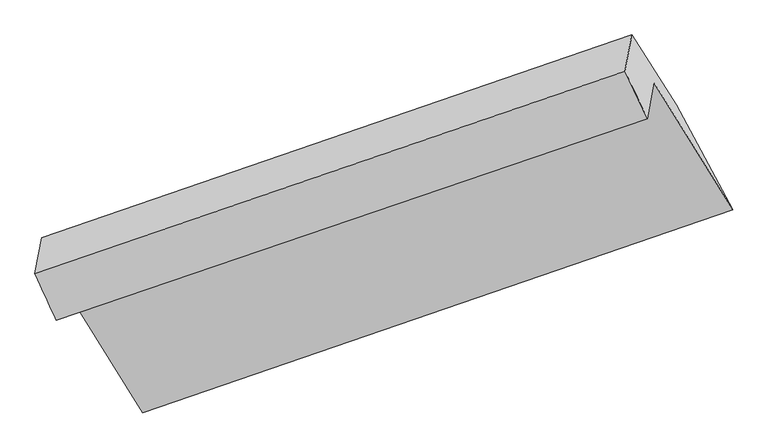
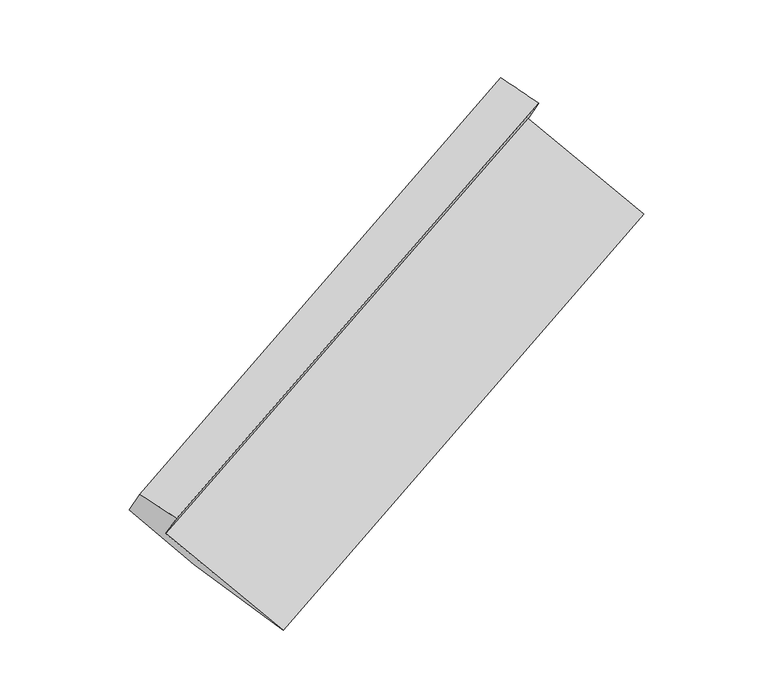
"""IFC4 building model written with IfcOpenShell, lengths in millimetres: proxy geometry."""

from ifc_helpers import new_model, si_unit, frame, origin, place, context, project, spatial, source, transform, mapped, element, save
from ifc_brep_helpers import plane_surface, spline_surface, advanced_brep


def generic_models_9a5ddd20(model_context):
    return source(origin(), model_context, "Body", "AdvancedBrep", [
        advanced_brep(
        [(-4937.4601271, -2278.7802791, 1406.6975139), (-4892.7302086, -2037.3654793, 1102.4990762), (-929.6186298, -688.0881841, 2756.5310107), (-974.3050049, -929.2679734, 3060.4333198), (-5079.995006, -1967.6718704, 1491.3658331), (-1124.3585121, -610.3551431, 3156.615163), (-5035.0612973, -1725.1571807, 1185.7814622), (-1079.4248034, -367.8404534, 2851.0307921), (-4736.619683, -2193.1161488, 858.2881578), (-780.9831891, -835.7994215, 2523.5374877), (-4358.9416528, -2897.8027901, 535.9530428), (-402.7330481, -1537.3982864, 2197.3115725)],
        [
            (0, 1),
            (1, 2),
            (2, 3),
            (3, 0),
            (4, 0),
            (3, 5),
            (5, 4),
            (6, 4),
            (5, 7),
            (7, 6),
            (8, 6),
            (7, 9),
            (9, 8),
            (10, 8),
            (9, 11),
            (11, 10),
            (1, 10),
            (11, 2),
        ],
        [
            plane_surface(frame((-4915.0951678, -2158.0728792, 1254.598295), z_axis=(0.46016988014379223, -0.7271495881416523, -0.5094086354527899), x_axis=(0.11442213681419879, 0.6175552787323882, -0.7781600428681975))),
            spline_surface(1, 1, [[(-5079.995006, -1967.6718704, 1491.3658331), (-1124.3585121, -610.3551431, 3156.615163)], [(-4937.4601271, -2278.7802791, 1406.6975139), (-974.3050049, -929.2679734, 3060.4333198)]], [2, 2], [2, 2], [0.0, 1.0], [0.0, 1.0]),
            plane_surface(frame((-5057.5281517, -1846.4145255, 1338.5736476), z_axis=(-0.46310116669780754, 0.7261465349813734, 0.5081815808721079), x_axis=(-0.11442213681419851, -0.6175552787323878, 0.7781600428681981))),
            plane_surface(frame((-4885.8404902, -1959.1366647, 1022.03481), z_axis=(0.11539830949966753, 0.6178905943509608, -0.7777496021067676), x_axis=(-0.46310116669780627, 0.7261465349813675, 0.5081815808721173))),
            spline_surface(1, 1, [[(-4358.9416528, -2897.8027901, 535.9530428), (-402.7330481, -1537.3982864, 2197.3115725)], [(-4736.619683, -2193.1161488, 858.2881578), (-780.9831891, -835.7994215, 2523.5374877)]], [2, 2], [2, 2], [0.0, 1.0], [0.0, 1.0]),
            plane_surface(frame((-4625.8359307, -2467.5841347, 819.2260595), z_axis=(-0.12613041912363337, -0.5989402377992955, 0.7907981467584634), x_axis=(0.4600502509092774, -0.7415752855244157, -0.4882825642368282))),
            plane_surface(frame((-881.9038646, -828.1249103, 2757.5765576), z_axis=(0.8788884366118402, 0.3022196013568723, 0.369077808254152), x_axis=(-0.46310116669780627, 0.7261465349813675, 0.5081815808721173))),
            plane_surface(frame((-4840.1346625, -2183.3156247, 1096.764181), z_axis=(-0.8788884366118448, -0.3022196013568658, -0.3690778082541464), x_axis=(-0.11442213681419706, -0.6175552787323886, 0.7781600428681975))),
        ],
        [
            (0, [[1, 2, 3, 4]]),
            (1, [[5, -4, 6, 7]]),
            (2, [[8, -7, 9, 10]]),
            (3, [[11, -10, 12, 13]]),
            (4, [[14, -13, 15, 16]]),
            (5, [[17, -16, 18, -2]]),
            (6, [[-12, -9, -6, -3, -18, -15]]),
            (7, [[-1, -5, -8, -11, -14, -17]]),
        ],
    ),
    ])


if __name__ == "__main__":
    model = new_model("IFC4")
    model_context = context("Model", 3, world=origin())
    ifc_project = project(units=[si_unit("LENGTHUNIT", "METRE", prefix="MILLI")], contexts=[model_context])
    site = spatial("IfcSite", under=ifc_project)
    building = spatial("IfcBuilding", under=site)
    placement = place(None, origin())
    generic_models_shape = generic_models_9a5ddd20(model_context)
    element("IfcBuildingElementProxy", 1, Name="Generic Models", at=placement, inside=building, context=model_context, shape_type="MappedRepresentation", body=[
        mapped(generic_models_shape, transform((0.0, 0.0, 0.0), x_axis=(1.0, 0.0, 0.0), y_axis=(0.0, 1.0, 0.0), z_axis=(0.0, 0.0, 1.0))),
    ])
    save(model, "model.ifc")
